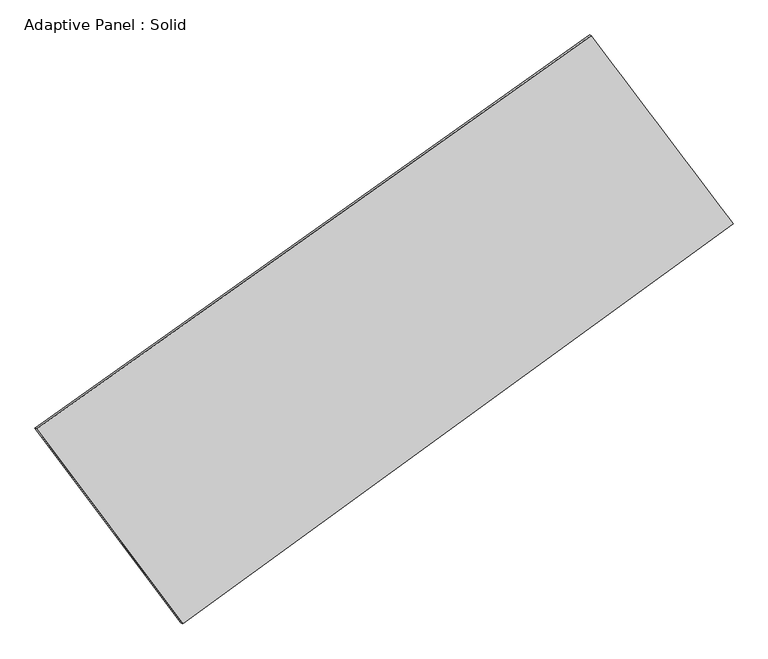
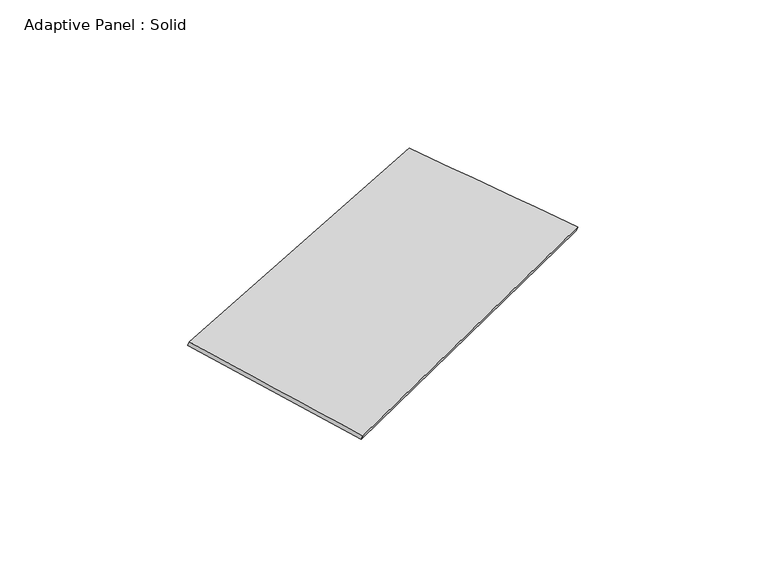
"""IFC4 building model written with IfcOpenShell, lengths in millimetres: plate geometry, Adaptive Panel : Solid."""

from ifc_helpers import new_model, si_unit, frame, origin, place, context, project, spatial, source, transform, mapped, element, save
from ifc_brep_helpers import plane_surface, spline_surface, advanced_brep


def adaptive_panel_solid_85924c28(model_context):
    return source(origin(), model_context, "Body", "AdvancedBrep", [
        advanced_brep(
        [(1115.4075478, 2414.3461843, 620.2541199), (-3655.0503306, -968.8052499, 1724.9564455), (-3640.3839747, -975.1853433, 1772.3293536), (1130.0739037, 2407.9660908, 667.6270279), (-2399.1778756, -2643.4435449, 1029.3025228), (-2384.5115197, -2649.8236384, 1076.6754309), (2335.5300801, 797.6540376, 110.6094319), (2350.196436, 791.2739442, 157.9823399)],
        [
            (0, 1),
            (1, 2),
            (2, 3),
            (3, 0),
            (1, 4),
            (4, 5),
            (5, 2),
            (4, 6),
            (6, 7),
            (7, 5),
            (6, 0),
            (3, 7),
        ],
        [
            plane_surface(frame((-1269.8213914, 722.7704672, 1172.6052827), z_axis=(-0.5149244797224176, 0.8139243511199403, 0.26903518512748814), x_axis=(-0.8015216454797397, -0.5684295246935056, 0.18560960989174555))),
            plane_surface(frame((-3027.1141031, -1806.1243974, 1377.1294842), z_axis=(-0.7600133407757421, -0.6323285007396493, 0.1501345696208683), x_axis=(0.5693495296325503, -0.7591969405885969, -0.3153745685817239))),
            plane_surface(frame((-31.8238977, -922.8947536, 569.9559774), z_axis=(0.5305461043264995, -0.8027081270731573, -0.27236096253809783), x_axis=(0.7991411567489585, 0.5808009128136894, -0.15506034717077674))),
            plane_surface(frame((1725.468814, 1606.0001109, 365.4317759), z_axis=(0.7651122640247002, 0.6255464467754355, -0.1526265585198882), x_axis=(-0.5841900226257767, 0.7740660439675955, 0.2440159360387167))),
            spline_surface(1, 1, [[(-3640.3839747, -975.1853433, 1772.3293536), (1130.0739037, 2407.9660908, 667.6270279)], [(-2384.5115197, -2649.8236384, 1076.6754309), (2350.196436, 791.2739442, 157.9823399)]], [2, 2], [2, 2], [0.0, 1.0], [0.0, 1.0]),
            spline_surface(1, 1, [[(2335.5300801, 797.6540376, 110.6094319), (1115.4075478, 2414.3461843, 620.2541199)], [(-2399.1778756, -2643.4435449, 1029.3025228), (-3655.0503306, -968.8052499, 1724.9564455)]], [2, 2], [2, 2], [0.0, 1.0], [0.0, 1.0]),
        ],
        [
            (0, [[1, 2, 3, 4]]),
            (1, [[5, 6, 7, -2]]),
            (2, [[8, 9, 10, -6]]),
            (3, [[11, -4, 12, -9]]),
            (4, [[-3, -7, -10, -12]]),
            (5, [[-11, -8, -5, -1]]),
        ],
    ),
    ])


if __name__ == "__main__":
    model = new_model("IFC4")
    model_context = context("Model", 3, world=origin())
    ifc_project = project(units=[si_unit("LENGTHUNIT", "METRE", prefix="MILLI")], contexts=[model_context])
    site = spatial("IfcSite", under=ifc_project)
    building = spatial("IfcBuilding", under=site)
    placement = place(None, origin())
    adaptive_panel_solid_shape = adaptive_panel_solid_85924c28(model_context)
    element("IfcPlate", 1, ObjectType="Adaptive Panel : Solid", at=placement, inside=building, context=model_context, shape_type="MappedRepresentation", body=[
        mapped(adaptive_panel_solid_shape, transform((0.0, 0.0, 0.0), x_axis=(1.0, 0.0, 0.0), y_axis=(0.0, 1.0, 0.0), z_axis=(0.0, 0.0, 1.0))),
    ])
    save(model, "model.ifc")
